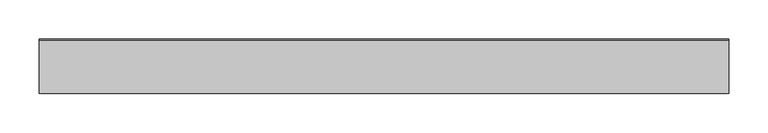
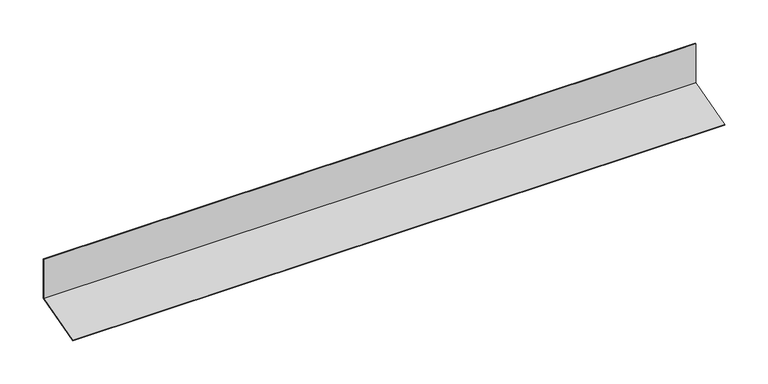
"""IFC4 building model written with IfcOpenShell, lengths in millimetres: proxy geometry."""

from ifc_helpers import new_model, si_unit, frame, origin, place, context, project, spatial, polyline, outline, extrude, source, transform, mapped, element, save


def generic_models_e18d6c78(model_context):
    return source(origin(), model_context, "Body", "SweptSolid", [
        extrude(outline(polyline([(-10126.265409, 1751.9323942), (-10126.265409, 1807.5776425), (-10125.265409, 1807.5776425), (-10125.265409, 1751.1650672), (-10193.5207455, 1732.8761049), (-10193.7795646, 1733.8420307), (-10126.265409, 1751.9323942)])), frame((-8489.6781881, 0.0, 0.0), z_axis=(1.0, 0.0, 0.0), x_axis=(0.0, 1.0, 0.0)), (0.0, 0.0, 1.0), 872.5869809),
    ])


if __name__ == "__main__":
    model = new_model("IFC4")
    model_context = context("Model", 3, world=origin())
    ifc_project = project(units=[si_unit("LENGTHUNIT", "METRE", prefix="MILLI")], contexts=[model_context])
    site = spatial("IfcSite", under=ifc_project)
    building = spatial("IfcBuilding", under=site)
    placement = place(None, origin())
    generic_models_shape = generic_models_e18d6c78(model_context)
    element("IfcBuildingElementProxy", 1, Name="Generic Models", at=placement, inside=building, context=model_context, shape_type="MappedRepresentation", body=[
        mapped(generic_models_shape, transform((0.0, 0.0, 0.0), x_axis=(1.0, 0.0, 0.0), y_axis=(0.0, 1.0, 0.0), z_axis=(0.0, 0.0, 1.0))),
    ])
    save(model, "model.ifc")
